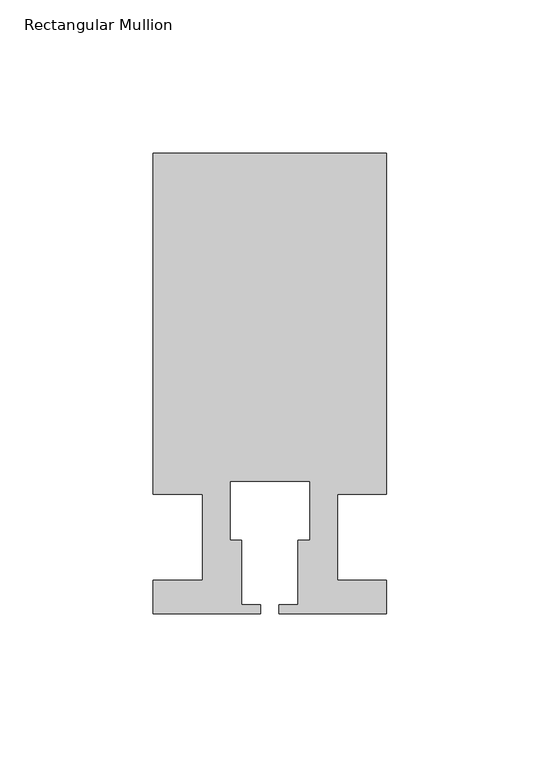
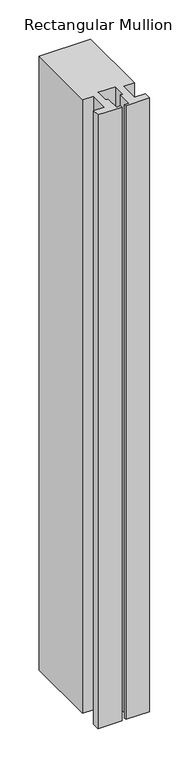
"""IFC4 building model written with IfcOpenShell, lengths in millimetres: member geometry, Rectangular Mullion."""

from ifc_helpers import new_model, si_unit, frame, origin, place, context, project, spatial, polyline, outline, extrude, source, transform, mapped, element, save


def rectangular_mullion_ccf9ebfc(model_context):
    return source(origin(), model_context, "Body", "SweptSolid", [
        extrude(outline(polyline([(37.9999914, 124.9960123), (37.9999914, 13.9960123), (21.9999651, 13.9960123), (21.9999651, -14.0039877), (37.9999896, -14.0039877), (37.9999896, -25.0039877), (2.9999651, -25.0039877), (2.9999651, -22.0039877), (9.1999651, -22.0039877), (9.1999651, -1.0039877), (12.9999651, -1.0039877), (12.9999651, 18.1960075), (-12.9999633, 18.1960075), (-12.9999633, -1.0039877), (-9.1999633, -1.0039877), (-9.1999633, -22.0039877), (-2.9999896, -22.0039877), (-2.9999896, -25.0039877), (-37.9999896, -25.0039877), (-37.9999896, -14.0039877), (-21.9999633, -14.0039877), (-21.9999633, 13.9959029), (-37.9999896, 13.9959029), (-37.9999896, 124.9960123), (37.9999914, 124.9960123)])), frame((0.0, 0.0, -953.6595328), z_axis=(0.0, 0.0, 1.0), x_axis=(1.0, 0.0, 0.0)), (0.0, 0.0, 1.0), 953.6595328),
    ])


if __name__ == "__main__":
    model = new_model("IFC4")
    model_context = context("Model", 3, world=origin())
    ifc_project = project(units=[si_unit("LENGTHUNIT", "METRE", prefix="MILLI")], contexts=[model_context])
    site = spatial("IfcSite", under=ifc_project)
    building = spatial("IfcBuilding", under=site)
    placement = place(None, origin())
    rectangular_mullion_shape = rectangular_mullion_ccf9ebfc(model_context)
    element("IfcMember", 1, ObjectType="Rectangular Mullion", at=placement, inside=building, context=model_context, shape_type="MappedRepresentation", body=[
        mapped(rectangular_mullion_shape, transform((0.0, 0.0, 0.0), x_axis=(1.0, 0.0, 0.0), y_axis=(0.0, 1.0, 0.0), z_axis=(0.0, 0.0, 1.0))),
    ])
    save(model, "model.ifc")
